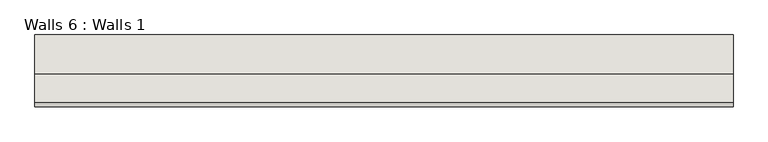
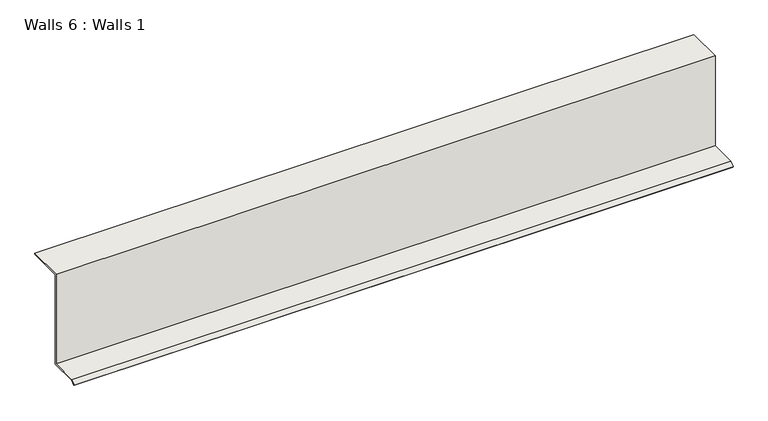
"""IFC4 building model written with IfcOpenShell, lengths in millimetres: wall geometry, Walls 6 : Walls 1."""

import ifcopenshell
import ifcopenshell.guid

model = None  # the IFC model being written
_history = None  # IfcOwnerHistory: only IFC2X3 demands one
_inside = {}  # id of a spatial element -> (the spatial element, [elements in it])
_under = {}  # id of a project, library or spatial element -> (it, [spatial elements below it])
_declared = {}  # id of a project -> (the project, [libraries it declares])
_typed = {}  # id of a type object -> (the type object, [elements of that type])
_made_of = {}  # id of a material, layer set ... -> (it, [elements and type objects made of it])


def new_model(schema):
    """Start an empty IFC model of exactly this schema.

    Asked for "IFC4X3", IfcOpenShell would pick the latest addendum, in which some entities
    have other attributes; the version numbers below select the first issue.
    IFC2X3 requires an IfcOwnerHistory on every rooted entity: one is made here for all.
    """
    global model, _history
    if schema == "IFC4X3":
        model = ifcopenshell.file(schema_version=(4, 3, 0, 0))
    else:
        model = ifcopenshell.file(schema=schema)
    _inside.clear()
    _under.clear()
    _declared.clear()
    _typed.clear()
    _made_of.clear()
    _history = None
    if model.schema == "IFC2X3":
        org = make("IfcOrganization", Name="unknown")
        user = make(
            "IfcPersonAndOrganization",
            ThePerson=make("IfcPerson", FamilyName="unknown"),
            TheOrganization=org,
        )
        app = make(
            "IfcApplication",
            ApplicationDeveloper=org,
            Version="unknown",
            ApplicationFullName="unknown",
            ApplicationIdentifier="unknown",
        )
        _history = make(
            "IfcOwnerHistory",
            OwningUser=user,
            OwningApplication=app,
            ChangeAction="ADDED",
            CreationDate=0,
        )
    return model


def make(cls, **values):
    """One entity of the class cls with the attributes given. An attribute that is None is left unset."""
    return model.create_entity(
        cls, **{name: value for name, value in values.items() if value is not None}
    )


def rooted(cls, **values):
    """An entity with a GlobalId (a new one), such as an element, a storey or a relation."""
    return make(cls, GlobalId=ifcopenshell.guid.new(), OwnerHistory=_history, **values)


def si_unit(unit_type, name, prefix=None):
    """IfcSIUnit, for example si_unit("LENGTHUNIT", "METRE", prefix="MILLI")."""
    return make("IfcSIUnit", UnitType=unit_type, Prefix=prefix, Name=name)


def assignment(units):
    """IfcUnitAssignment: the units of a project."""
    return None if units is None else make("IfcUnitAssignment", Units=units)


def point(xyz):
    """IfcCartesianPoint."""
    return None if xyz is None else make("IfcCartesianPoint", Coordinates=xyz)


def direction(xyz):
    """IfcDirection."""
    return None if xyz is None else make("IfcDirection", DirectionRatios=xyz)


def frame(location, z_axis=None, x_axis=None):
    """IfcAxis2Placement3D, a coordinate frame: its origin and axes. An axis left out is left unset."""
    return make(
        "IfcAxis2Placement3D",
        Location=point(location),
        Axis=direction(z_axis),
        RefDirection=direction(x_axis),
    )


def origin():
    """The frame at (0, 0, 0) with its axes left unset."""
    return frame((0.0, 0.0, 0.0))


def place(relative_to, where):
    """IfcLocalPlacement: puts the frame where relative to a parent placement (None: the world)."""
    return make(
        "IfcLocalPlacement", PlacementRelTo=relative_to, RelativePlacement=where
    )


def context(
    kind, dimensions, precision=None, world=None, true_north=None, identifier=None
):
    """IfcGeometricRepresentationContext, for example the 3D "Model" context."""
    return make(
        "IfcGeometricRepresentationContext",
        ContextIdentifier=identifier,
        ContextType=kind,
        CoordinateSpaceDimension=dimensions,
        Precision=precision,
        WorldCoordinateSystem=world,
        TrueNorth=true_north,
    )


def project(units=None, contexts=None):
    """IfcProject with its units and contexts."""
    return rooted(
        "IfcProject",
        Name="project",
        RepresentationContexts=contexts,
        UnitsInContext=assignment(units),
    )


def spatial(cls, under=None, at=None, **own):
    """A site, building, storey or space (cls), placed at a placement, below another one or the project."""
    s = rooted(cls, ObjectPlacement=at, **own)
    if under is not None:
        _under.setdefault(under.id(), (under, []))[1].append(s)
    return s


def polyline(points):
    """IfcPolyline through the points."""
    return make("IfcPolyline", Points=[point(p) for p in points])


def outline(outer, holes=None, kind="AREA"):
    """IfcArbitraryClosedProfileDef: a profile drawn as a closed curve; with holes, ...WithVoids."""
    if holes is None:
        return make("IfcArbitraryClosedProfileDef", ProfileType=kind, OuterCurve=outer)
    return make(
        "IfcArbitraryProfileDefWithVoids",
        ProfileType=kind,
        OuterCurve=outer,
        InnerCurves=holes,
    )


def extrude(swept, where, along, depth):
    """IfcExtrudedAreaSolid: the profile swept, set in the frame where, extruded along a direction by depth."""
    return make(
        "IfcExtrudedAreaSolid",
        SweptArea=swept,
        Position=where,
        ExtrudedDirection=direction(along),
        Depth=depth,
    )


def shape(context_of_items, identifier, shape_type, items):
    """IfcShapeRepresentation: the items that make up one representation, for example the "Body"."""
    return make(
        "IfcShapeRepresentation",
        ContextOfItems=context_of_items,
        RepresentationIdentifier=identifier,
        RepresentationType=shape_type,
        Items=items,
    )


def source(mapping_origin, context_of_items, identifier, shape_type, items):
    """IfcRepresentationMap: a shape defined once, which mapped items show again and again."""
    return make(
        "IfcRepresentationMap",
        MappingOrigin=mapping_origin,
        MappedRepresentation=shape(context_of_items, identifier, shape_type, items),
    )


def transform(
    local_origin,
    x_axis=None,
    y_axis=None,
    z_axis=None,
    scale=None,
    scale2=None,
    scale3=None,
    uniform=True,
):
    """IfcCartesianTransformationOperator3D, or its non-uniform kind. x_axis, y_axis, z_axis: its Axis1, 2, 3."""
    if uniform:
        return make(
            "IfcCartesianTransformationOperator3D",
            Axis1=direction(x_axis),
            Axis2=direction(y_axis),
            LocalOrigin=point(local_origin),
            Scale=scale,
            Axis3=direction(z_axis),
        )
    return make(
        "IfcCartesianTransformationOperator3DnonUniform",
        Axis1=direction(x_axis),
        Axis2=direction(y_axis),
        LocalOrigin=point(local_origin),
        Scale=scale,
        Axis3=direction(z_axis),
        Scale2=scale2,
        Scale3=scale3,
    )


def mapped(mapping_source, mapping_target):
    """IfcMappedItem: shows the shape of a source again, moved by a transform."""
    return make(
        "IfcMappedItem", MappingSource=mapping_source, MappingTarget=mapping_target
    )


def made_of(thing, what):
    """Note that an element or type object is made of a material, layer set ...; save() writes the relation."""
    if what is not None:
        _made_of.setdefault(what.id(), (what, []))[1].append(thing)
    return thing


def element(
    cls,
    number,
    at=None,
    inside=None,
    cuts=None,
    type_object=None,
    material=None,
    context=None,
    identifier="Body",
    shape_type=None,
    held_by="IfcProductDefinitionShape",
    body=None,
    shapes=None,
    **own,
):
    """One element of the class cls, such as IfcWall. Its Tag is "e" and its number.

    at: its placement. inside: the storey or other place that contains it. cuts: it is an
    opening in that element (IfcRelVoidsElement). A single representation is given by context,
    identifier, shape_type and body (its items); several are given by shapes. held_by: the class
    of the entity that holds the representations. save() writes the other relations.
    """
    e = rooted(cls, Tag="e%d" % number, ObjectPlacement=at, **own)
    if body is not None:
        shapes = [shape(context, identifier, shape_type, body)]
    if shapes is not None:
        e.Representation = make(held_by, Representations=shapes)
    if inside is not None:
        _inside.setdefault(inside.id(), (inside, []))[1].append(e)
    if cuts is not None:
        rooted(
            "IfcRelVoidsElement", RelatingBuildingElement=cuts, RelatedOpeningElement=e
        )
    if type_object is not None:
        _typed.setdefault(type_object.id(), (type_object, []))[1].append(e)
    return made_of(e, material)


def aggregate(whole, parts):
    """IfcRelAggregates: a whole, such as a stair, and the parts it consists of."""
    return rooted("IfcRelAggregates", RelatingObject=whole, RelatedObjects=parts)


def save(model, path):
    """Write the relations noted so far, then the file.

    IfcRelAggregates (storeys below a building ...), IfcRelContainedInSpatialStructure (elements
    in a storey), IfcRelDefinesByType, IfcRelAssociatesMaterial and IfcRelDeclares: one each for
    every whole, place, type object, material and project.
    """
    for whole, parts in _under.values():
        aggregate(whole, parts)
    for where, things in _inside.values():
        rooted(
            "IfcRelContainedInSpatialStructure",
            RelatedElements=things,
            RelatingStructure=where,
        )
    for kind, things in _typed.values():
        rooted("IfcRelDefinesByType", RelatedObjects=things, RelatingType=kind)
    for what, things in _made_of.values():
        rooted("IfcRelAssociatesMaterial", RelatedObjects=things, RelatingMaterial=what)
    for by, libraries in _declared.values():
        rooted("IfcRelDeclares", RelatingContext=by, RelatedDefinitions=libraries)
    model.write(path)


def walls_6_walls_1_072b4881(model_context):
    return source(origin(), model_context, "Body", "SweptSolid", [
        extrude(outline(polyline([(2389.0947324, 711.2), (2277.9697324, 711.2), (2277.9697324, 415.0809612), (2190.5632098, 415.0809612), (2179.9837083, 404.5014598), (2177.7386443, 406.7465238), (2189.2480817, 418.2559612), (2274.7947324, 418.2559612), (2274.7947324, 714.375), (2389.0947324, 714.375), (2389.0947324, 711.2)])), frame((-859.3497911, 0.0, 0.0), z_axis=(1.0, 0.0, 0.0), x_axis=(0.0, 1.0, 0.0)), (0.0, 0.0, 1.0), 2057.4),
    ])


if __name__ == "__main__":
    model = new_model("IFC4")
    model_context = context("Model", 3, world=origin())
    ifc_project = project(units=[si_unit("LENGTHUNIT", "METRE", prefix="MILLI")], contexts=[model_context])
    site = spatial("IfcSite", under=ifc_project)
    building = spatial("IfcBuilding", under=site)
    placement = place(None, origin())
    walls_6_walls_1_shape = walls_6_walls_1_072b4881(model_context)
    element("IfcWall", 1, ObjectType="Walls 6 : Walls 1", at=placement, inside=building, context=model_context, shape_type="MappedRepresentation", body=[
        mapped(walls_6_walls_1_shape, transform((0.0, 0.0, 0.0), x_axis=(1.0, 0.0, 0.0), y_axis=(0.0, 1.0, 0.0), z_axis=(0.0, 0.0, 1.0))),
    ])
    save(model, "model.ifc")
